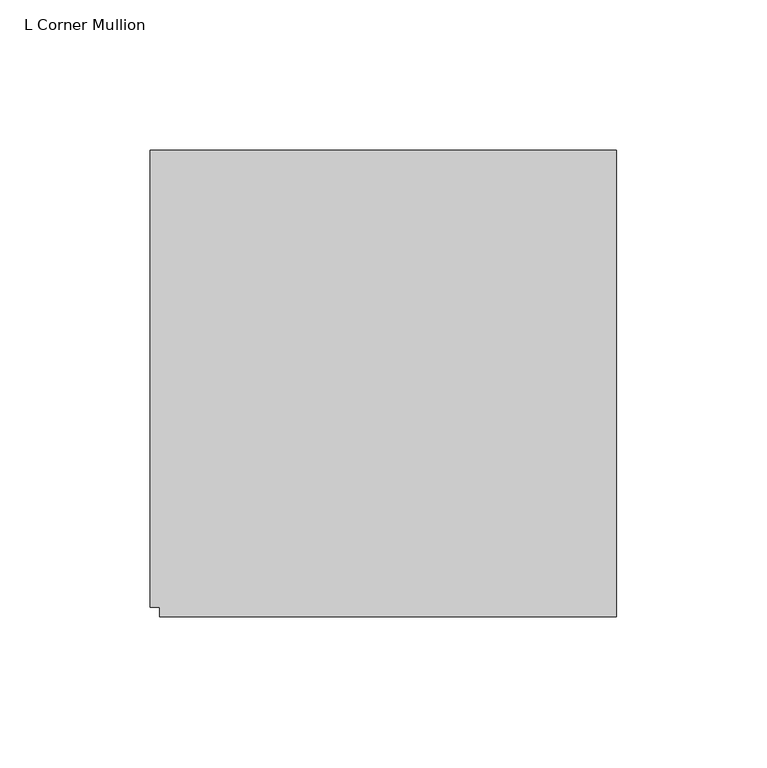
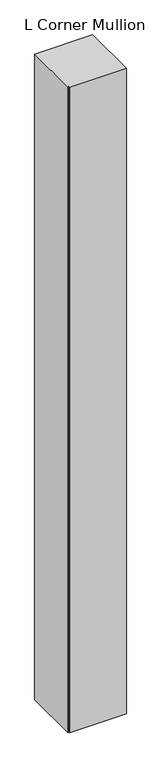
"""IFC4 building model written with IfcOpenShell, lengths in millimetres: member geometry, L Corner Mullion."""

from ifc_helpers import new_model, si_unit, frame, origin, place, context, project, spatial, polyline, outline, extrude, source, transform, mapped, element, save


def l_corner_mullion_811d2721(model_context):
    return source(origin(), model_context, "Body", "SweptSolid", [
        extrude(outline(polyline([(-123.825, -127.0), (-123.825, -123.825), (-127.0, -123.825), (-127.0, 28.575), (28.575, 28.575), (28.575, -127.0), (-123.825, -127.0)])), frame((0.0, 0.0, -1828.8), z_axis=(0.0, 0.0, 1.0), x_axis=(1.0, 0.0, 0.0)), (0.0, 0.0, 1.0), 1828.8),
    ])


if __name__ == "__main__":
    model = new_model("IFC4")
    model_context = context("Model", 3, world=origin())
    ifc_project = project(units=[si_unit("LENGTHUNIT", "METRE", prefix="MILLI")], contexts=[model_context])
    site = spatial("IfcSite", under=ifc_project)
    building = spatial("IfcBuilding", under=site)
    placement = place(None, origin())
    l_corner_mullion_shape = l_corner_mullion_811d2721(model_context)
    element("IfcMember", 1, ObjectType="L Corner Mullion", at=placement, inside=building, context=model_context, shape_type="MappedRepresentation", body=[
        mapped(l_corner_mullion_shape, transform((0.0, 0.0, 0.0), x_axis=(1.0, 0.0, 0.0), y_axis=(0.0, 1.0, 0.0), z_axis=(0.0, 0.0, 1.0))),
    ])
    save(model, "model.ifc")
